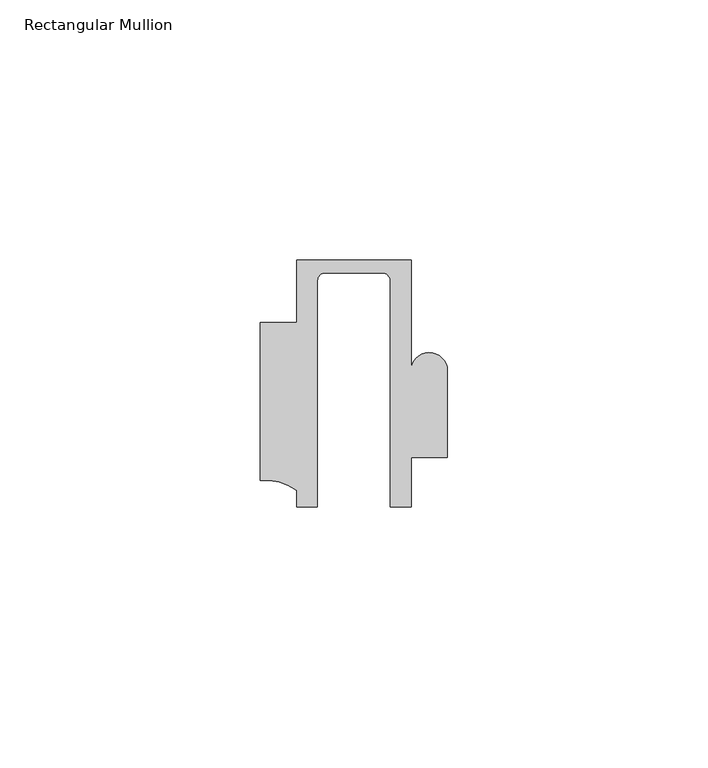
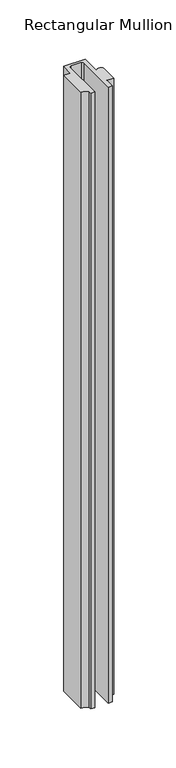
"""IFC4 building model written with IfcOpenShell, lengths in millimetres: member geometry, Rectangular Mullion."""

from ifc_helpers import new_model, si_unit, frame, origin, place, context, project, spatial, polyline, circle_curve, source, transform, mapped, element, save
from ifc_brep_helpers import plane_surface, cylinder_surface, revolved_surface, advanced_brep


def rectangular_mullion_dc5fcd4f(model_context):
    return source(origin(), model_context, "Body", "AdvancedBrep", [
        advanced_brep(
        [(-11.0000151, 27.0, 0.0), (-11.0000151, 15.0006281, 0.0), (-17.9999542, 15.0006281, 0.0), (-17.9999542, -15.3797475, 0.0), (-10.9999994, -17.3125325, 0.0), (-10.9999994, -20.5, 0.0), (-6.9999853, -20.5, 0.0), (-6.9999853, 22.9976091, 0.0), (-5.4999873, 24.5, 0.0), (5.4999872, 24.5, 0.0), (6.9999849, 22.9973451, 0.0), (6.9999849, -20.5, 0.0), (11.0000151, -20.5, 0.0), (11.0000151, -10.9797475, 0.0), (17.9999542, -10.9797475, 0.0), (17.9999542, 5.684606, 0.0), (11.001071, 5.5848769, 0.0), (11.001071, 27.0, 0.0), (-11.0000151, 27.0, -662.0000913), (11.001071, 27.0, -662.0000913), (11.001071, 5.5848769, -662.0000913), (17.9999091, 5.6750512, -662.0000913), (17.9999542, -10.9797475, -662.0000913), (11.0000151, -10.9797475, -662.0000913), (11.0000151, -20.5, -662.0000913), (6.9999849, -20.5, -662.0000913), (6.9999849, 22.9973451, -662.0000913), (5.4999872, 24.5, -662.0000913), (-5.4999873, 24.5, -662.0000913), (-6.9999853, 22.9976091, -662.0000913), (-6.9999853, -20.5, -662.0000913), (-10.9999994, -20.5, -662.0000913), (-10.9999994, -17.3125325, -662.0000913), (-17.9999542, -15.3797475, -662.0000913), (-17.9999542, 15.0006281, -662.0000913), (-11.0000151, 15.0006281, -662.0000913)],
        [
            (0, 1),
            (1, 2),
            (2, 3),
            (3, 4, circle_curve(frame((-17.109817, -25.7981812, 0.0), z_axis=(0.0, 0.0, -1.0), x_axis=(0.0, 1.0, 0.0)), 10.4563907)),
            (4, 5),
            (5, 6),
            (6, 7),
            (7, 8, circle_curve(frame((-5.4999873, 23.0, 0.0), z_axis=(0.0, 0.0, -1.0), x_axis=(2.7320010112268853e-08, 0.9999999999999997, 0.0)), 1.5)),
            (8, 9),
            (9, 10, circle_curve(frame((5.4999872, 23.0, 0.0), z_axis=(0.0, 0.0, -1.0), x_axis=(0.9999999999999986, -5.463622857820516e-08, 0.0)), 1.5)),
            (10, 11),
            (11, 12),
            (12, 13),
            (13, 14),
            (14, 15),
            (15, 16, circle_curve(frame((14.4999091, 5.6750512, 0.0), z_axis=(0.0, 0.0, 1.0), x_axis=(-0.9999826028573957, -0.005898642432633649, 0.0)), 3.5)),
            (16, 17),
            (17, 0),
            (18, 19),
            (19, 20),
            (20, 21, circle_curve(frame((14.4999091, 5.6750512, -662.0000913), z_axis=(0.0, 0.0, -1.0), x_axis=(-0.9999826028573957, -0.005898642432633649, 0.0)), 3.5)),
            (21, 22),
            (22, 23),
            (23, 24),
            (24, 25),
            (25, 26),
            (26, 27, circle_curve(frame((5.4999872, 23.0, -662.0000913), z_axis=(0.0, 0.0, 1.0), x_axis=(0.9999999999999986, -5.463622857820516e-08, 0.0)), 1.5)),
            (27, 28),
            (28, 29, circle_curve(frame((-5.4999873, 23.0, -662.0000913), z_axis=(0.0, 0.0, 1.0), x_axis=(2.7320010112268853e-08, 0.9999999999999997, 0.0)), 1.5)),
            (29, 30),
            (30, 31),
            (31, 32),
            (32, 33, circle_curve(frame((-17.109817, -25.7981812, -662.0000913), z_axis=(0.0, 0.0, 1.0), x_axis=(0.0, 1.0, 0.0)), 10.4563907)),
            (33, 34),
            (34, 35),
            (35, 18),
            (0, 18),
            (35, 1),
            (34, 2),
            (33, 3),
            (32, 4),
            (31, 5),
            (30, 6),
            (29, 7),
            (28, 8),
            (27, 9),
            (26, 10),
            (25, 11),
            (24, 12),
            (23, 13),
            (14, 22),
            (21, 15),
            (20, 16),
            (19, 17),
        ],
        [
            plane_surface(frame((0.0, -29.1551636, 0.0), z_axis=(0.0, 0.0, 1.0), x_axis=(-1.0, 0.0, 0.0))),
            plane_surface(frame((0.0, -29.1551636, -662.0000913), z_axis=(0.0, 0.0, -1.0), x_axis=(-1.0, 0.0, 0.0))),
            plane_surface(frame((-11.0000151, 27.0, 0.0), z_axis=(-1.0, 0.0, 0.0), x_axis=(0.0, 0.0, -1.0))),
            plane_surface(frame((-11.0000151, 15.0006281, 0.0), z_axis=(0.0, 1.0, 0.0), x_axis=(0.0, 0.0, -1.0))),
            plane_surface(frame((-17.9999542, 15.0006281, 0.0), z_axis=(-1.0, 0.0, 0.0), x_axis=(0.0, 0.0, -1.0))),
            revolved_surface(polyline([(-17.109817, -15.341790499999998, -662.0000913), (-17.109817, -15.341790499999998, 0.0)]), (-17.109817, -25.7981812, 0.0), (0.0, 0.0, -1.0)),
            plane_surface(frame((-10.9999994, -17.3125325, 0.0), z_axis=(-1.0, 0.0, 0.0), x_axis=(0.0, 0.0, -1.0))),
            plane_surface(frame((-10.9999994, -20.5, 0.0), z_axis=(0.0, -1.0, 0.0), x_axis=(0.0, 0.0, -1.0))),
            plane_surface(frame((-6.9999853, -20.5, 0.0), z_axis=(1.0, 0.0, 0.0), x_axis=(0.0, 0.0, -1.0))),
            revolved_surface(polyline([(-5.499987259019985, 24.5, -662.0000913), (-5.499987259019985, 24.5, 0.0)]), (-5.4999873, 23.0, 0.0), (0.0, 0.0, -1.0)),
            plane_surface(frame((-5.4999873, 24.5, 0.0), z_axis=(0.0, -1.0, 0.0), x_axis=(0.0, 0.0, -1.0))),
            revolved_surface(polyline([(6.999987199999998, 22.999999918045656, -662.0000913), (6.999987199999998, 22.999999918045656, 0.0)]), (5.4999872, 23.0, 0.0), (0.0, 0.0, -1.0)),
            plane_surface(frame((6.9999849, 22.9973451, 0.0), z_axis=(-1.0, 0.0, 0.0), x_axis=(0.0, 0.0, -1.0))),
            plane_surface(frame((6.9999849, -20.5, 0.0), z_axis=(0.0, -1.0, 0.0), x_axis=(0.0, 0.0, -1.0))),
            plane_surface(frame((11.0000151, -20.5, 0.0), z_axis=(1.0, 0.0, 0.0), x_axis=(0.0, 0.0, -1.0))),
            plane_surface(frame((17.9999542, -10.9797475, 0.0), z_axis=(1.0, 0.0, 0.0), x_axis=(0.0, 0.0, -1.0))),
            cylinder_surface(frame((14.4999091, 5.6750512, 0.0), z_axis=(0.0, 0.0, 1.0), x_axis=(-0.9999826028573957, -0.005898642432633649, 0.0)), 3.5),
            plane_surface(frame((11.001071, 5.5848769, 0.0), z_axis=(1.0, 0.0, 0.0), x_axis=(0.0, 0.0, -1.0))),
            plane_surface(frame((11.001071, 27.0, 0.0), z_axis=(0.0, 1.0, 0.0), x_axis=(0.0, 0.0, -1.0))),
            plane_surface(frame((11.0000151, -10.9797475, 0.0), z_axis=(0.0, -1.0, 0.0), x_axis=(0.0, 0.0, -1.0))),
        ],
        [
            (0, [[1, 2, 3, 4, 5, 6, 7, 8, 9, 10, 11, 12, 13, 14, 15, 16, 17, 18]]),
            (1, [[19, 20, 21, 22, 23, 24, 25, 26, 27, 28, 29, 30, 31, 32, 33, 34, 35, 36]]),
            (2, [[-1, 37, -36, 38]]),
            (3, [[-2, -38, -35, 39]]),
            (4, [[-3, -39, -34, 40]]),
            (5, [[-4, -40, -33, 41]]),
            (6, [[-5, -41, -32, 42]]),
            (7, [[-6, -42, -31, 43]]),
            (8, [[-7, -43, -30, 44]]),
            (9, [[-8, -44, -29, 45]]),
            (10, [[-9, -45, -28, 46]]),
            (11, [[-10, -46, -27, 47]]),
            (12, [[-11, -47, -26, 48]]),
            (13, [[-12, -48, -25, 49]]),
            (14, [[-13, -49, -24, 50]]),
            (15, [[-15, 51, -22, 52]]),
            (16, [[-16, -52, -21, 53]]),
            (17, [[-17, -53, -20, 54]]),
            (18, [[-18, -54, -19, -37]]),
            (19, [[-14, -50, -23, -51]]),
        ],
    ),
    ])


if __name__ == "__main__":
    model = new_model("IFC4")
    model_context = context("Model", 3, world=origin())
    ifc_project = project(units=[si_unit("LENGTHUNIT", "METRE", prefix="MILLI")], contexts=[model_context])
    site = spatial("IfcSite", under=ifc_project)
    building = spatial("IfcBuilding", under=site)
    placement = place(None, origin())
    rectangular_mullion_shape = rectangular_mullion_dc5fcd4f(model_context)
    element("IfcMember", 1, ObjectType="Rectangular Mullion", at=placement, inside=building, context=model_context, shape_type="MappedRepresentation", body=[
        mapped(rectangular_mullion_shape, transform((0.0, 0.0, 0.0), x_axis=(1.0, 0.0, 0.0), y_axis=(0.0, 1.0, 0.0), z_axis=(0.0, 0.0, 1.0))),
    ])
    save(model, "model.ifc")
